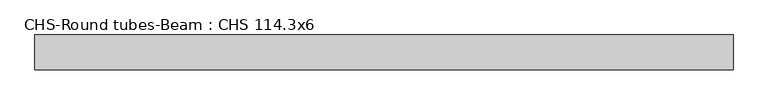
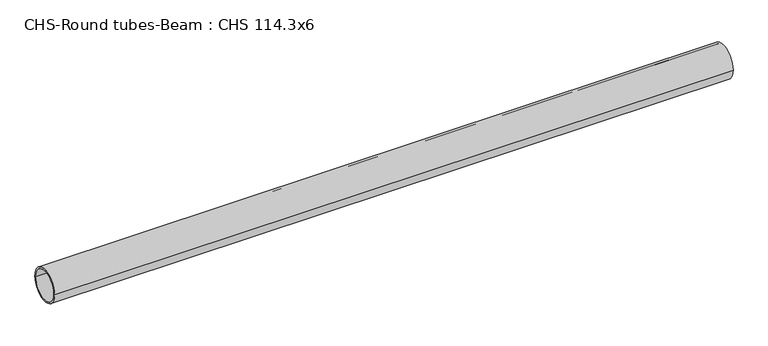
"""IFC4 building model written with IfcOpenShell, lengths in millimetres: beam geometry, CHS-Round tubes-Beam : CHS 114.3x6."""

import ifcopenshell
import ifcopenshell.guid

model = None  # the IFC model being written
_history = None  # IfcOwnerHistory: only IFC2X3 demands one
_inside = {}  # id of a spatial element -> (the spatial element, [elements in it])
_under = {}  # id of a project, library or spatial element -> (it, [spatial elements below it])
_declared = {}  # id of a project -> (the project, [libraries it declares])
_typed = {}  # id of a type object -> (the type object, [elements of that type])
_made_of = {}  # id of a material, layer set ... -> (it, [elements and type objects made of it])


def new_model(schema):
    """Start an empty IFC model of exactly this schema.

    Asked for "IFC4X3", IfcOpenShell would pick the latest addendum, in which some entities
    have other attributes; the version numbers below select the first issue.
    IFC2X3 requires an IfcOwnerHistory on every rooted entity: one is made here for all.
    """
    global model, _history
    if schema == "IFC4X3":
        model = ifcopenshell.file(schema_version=(4, 3, 0, 0))
    else:
        model = ifcopenshell.file(schema=schema)
    _inside.clear()
    _under.clear()
    _declared.clear()
    _typed.clear()
    _made_of.clear()
    _history = None
    if model.schema == "IFC2X3":
        org = make("IfcOrganization", Name="unknown")
        user = make(
            "IfcPersonAndOrganization",
            ThePerson=make("IfcPerson", FamilyName="unknown"),
            TheOrganization=org,
        )
        app = make(
            "IfcApplication",
            ApplicationDeveloper=org,
            Version="unknown",
            ApplicationFullName="unknown",
            ApplicationIdentifier="unknown",
        )
        _history = make(
            "IfcOwnerHistory",
            OwningUser=user,
            OwningApplication=app,
            ChangeAction="ADDED",
            CreationDate=0,
        )
    return model


def make(cls, **values):
    """One entity of the class cls with the attributes given. An attribute that is None is left unset."""
    return model.create_entity(
        cls, **{name: value for name, value in values.items() if value is not None}
    )


def rooted(cls, **values):
    """An entity with a GlobalId (a new one), such as an element, a storey or a relation."""
    return make(cls, GlobalId=ifcopenshell.guid.new(), OwnerHistory=_history, **values)


def si_unit(unit_type, name, prefix=None):
    """IfcSIUnit, for example si_unit("LENGTHUNIT", "METRE", prefix="MILLI")."""
    return make("IfcSIUnit", UnitType=unit_type, Prefix=prefix, Name=name)


def assignment(units):
    """IfcUnitAssignment: the units of a project."""
    return None if units is None else make("IfcUnitAssignment", Units=units)


def point(xyz):
    """IfcCartesianPoint."""
    return None if xyz is None else make("IfcCartesianPoint", Coordinates=xyz)


def direction(xyz):
    """IfcDirection."""
    return None if xyz is None else make("IfcDirection", DirectionRatios=xyz)


def frame(location, z_axis=None, x_axis=None):
    """IfcAxis2Placement3D, a coordinate frame: its origin and axes. An axis left out is left unset."""
    return make(
        "IfcAxis2Placement3D",
        Location=point(location),
        Axis=direction(z_axis),
        RefDirection=direction(x_axis),
    )


def frame_2d(location, x_axis=None):
    """IfcAxis2Placement2D, a coordinate frame in the plane: its origin and x axis."""
    return make(
        "IfcAxis2Placement2D", Location=point(location), RefDirection=direction(x_axis)
    )


def origin():
    """The frame at (0, 0, 0) with its axes left unset."""
    return frame((0.0, 0.0, 0.0))


def origin_2d():
    """The frame at (0, 0) in the plane with its x axis left unset."""
    return frame_2d((0.0, 0.0))


def place(relative_to, where):
    """IfcLocalPlacement: puts the frame where relative to a parent placement (None: the world)."""
    return make(
        "IfcLocalPlacement", PlacementRelTo=relative_to, RelativePlacement=where
    )


def context(
    kind, dimensions, precision=None, world=None, true_north=None, identifier=None
):
    """IfcGeometricRepresentationContext, for example the 3D "Model" context."""
    return make(
        "IfcGeometricRepresentationContext",
        ContextIdentifier=identifier,
        ContextType=kind,
        CoordinateSpaceDimension=dimensions,
        Precision=precision,
        WorldCoordinateSystem=world,
        TrueNorth=true_north,
    )


def project(units=None, contexts=None):
    """IfcProject with its units and contexts."""
    return rooted(
        "IfcProject",
        Name="project",
        RepresentationContexts=contexts,
        UnitsInContext=assignment(units),
    )


def spatial(cls, under=None, at=None, **own):
    """A site, building, storey or space (cls), placed at a placement, below another one or the project."""
    s = rooted(cls, ObjectPlacement=at, **own)
    if under is not None:
        _under.setdefault(under.id(), (under, []))[1].append(s)
    return s


def circle_curve(where, radius):
    """IfcCircle in the frame where."""
    return make("IfcCircle", Position=where, Radius=radius)


def trimmed(basis, trim1, trim2, sense, master):
    """IfcTrimmedCurve: the piece of a basis curve between two trims."""
    return make(
        "IfcTrimmedCurve",
        BasisCurve=basis,
        Trim1=trim1,
        Trim2=trim2,
        SenseAgreement=sense,
        MasterRepresentation=master,
    )


def segment(curve, same_sense, transition):
    """IfcCompositeCurveSegment."""
    return make(
        "IfcCompositeCurveSegment",
        Transition=transition,
        SameSense=same_sense,
        ParentCurve=curve,
    )


def composite_curve(segments, self_intersect=None):
    """IfcCompositeCurve: segments joined end to end."""
    return make("IfcCompositeCurve", Segments=segments, SelfIntersect=self_intersect)


def outline(outer, holes=None, kind="AREA"):
    """IfcArbitraryClosedProfileDef: a profile drawn as a closed curve; with holes, ...WithVoids."""
    if holes is None:
        return make("IfcArbitraryClosedProfileDef", ProfileType=kind, OuterCurve=outer)
    return make(
        "IfcArbitraryProfileDefWithVoids",
        ProfileType=kind,
        OuterCurve=outer,
        InnerCurves=holes,
    )


def extrude(swept, where, along, depth):
    """IfcExtrudedAreaSolid: the profile swept, set in the frame where, extruded along a direction by depth."""
    return make(
        "IfcExtrudedAreaSolid",
        SweptArea=swept,
        Position=where,
        ExtrudedDirection=direction(along),
        Depth=depth,
    )


def shape(context_of_items, identifier, shape_type, items):
    """IfcShapeRepresentation: the items that make up one representation, for example the "Body"."""
    return make(
        "IfcShapeRepresentation",
        ContextOfItems=context_of_items,
        RepresentationIdentifier=identifier,
        RepresentationType=shape_type,
        Items=items,
    )


def source(mapping_origin, context_of_items, identifier, shape_type, items):
    """IfcRepresentationMap: a shape defined once, which mapped items show again and again."""
    return make(
        "IfcRepresentationMap",
        MappingOrigin=mapping_origin,
        MappedRepresentation=shape(context_of_items, identifier, shape_type, items),
    )


def transform(
    local_origin,
    x_axis=None,
    y_axis=None,
    z_axis=None,
    scale=None,
    scale2=None,
    scale3=None,
    uniform=True,
):
    """IfcCartesianTransformationOperator3D, or its non-uniform kind. x_axis, y_axis, z_axis: its Axis1, 2, 3."""
    if uniform:
        return make(
            "IfcCartesianTransformationOperator3D",
            Axis1=direction(x_axis),
            Axis2=direction(y_axis),
            LocalOrigin=point(local_origin),
            Scale=scale,
            Axis3=direction(z_axis),
        )
    return make(
        "IfcCartesianTransformationOperator3DnonUniform",
        Axis1=direction(x_axis),
        Axis2=direction(y_axis),
        LocalOrigin=point(local_origin),
        Scale=scale,
        Axis3=direction(z_axis),
        Scale2=scale2,
        Scale3=scale3,
    )


def mapped(mapping_source, mapping_target):
    """IfcMappedItem: shows the shape of a source again, moved by a transform."""
    return make(
        "IfcMappedItem", MappingSource=mapping_source, MappingTarget=mapping_target
    )


def made_of(thing, what):
    """Note that an element or type object is made of a material, layer set ...; save() writes the relation."""
    if what is not None:
        _made_of.setdefault(what.id(), (what, []))[1].append(thing)
    return thing


def element(
    cls,
    number,
    at=None,
    inside=None,
    cuts=None,
    type_object=None,
    material=None,
    context=None,
    identifier="Body",
    shape_type=None,
    held_by="IfcProductDefinitionShape",
    body=None,
    shapes=None,
    **own,
):
    """One element of the class cls, such as IfcWall. Its Tag is "e" and its number.

    at: its placement. inside: the storey or other place that contains it. cuts: it is an
    opening in that element (IfcRelVoidsElement). A single representation is given by context,
    identifier, shape_type and body (its items); several are given by shapes. held_by: the class
    of the entity that holds the representations. save() writes the other relations.
    """
    e = rooted(cls, Tag="e%d" % number, ObjectPlacement=at, **own)
    if body is not None:
        shapes = [shape(context, identifier, shape_type, body)]
    if shapes is not None:
        e.Representation = make(held_by, Representations=shapes)
    if inside is not None:
        _inside.setdefault(inside.id(), (inside, []))[1].append(e)
    if cuts is not None:
        rooted(
            "IfcRelVoidsElement", RelatingBuildingElement=cuts, RelatedOpeningElement=e
        )
    if type_object is not None:
        _typed.setdefault(type_object.id(), (type_object, []))[1].append(e)
    return made_of(e, material)


def aggregate(whole, parts):
    """IfcRelAggregates: a whole, such as a stair, and the parts it consists of."""
    return rooted("IfcRelAggregates", RelatingObject=whole, RelatedObjects=parts)


def save(model, path):
    """Write the relations noted so far, then the file.

    IfcRelAggregates (storeys below a building ...), IfcRelContainedInSpatialStructure (elements
    in a storey), IfcRelDefinesByType, IfcRelAssociatesMaterial and IfcRelDeclares: one each for
    every whole, place, type object, material and project.
    """
    for whole, parts in _under.values():
        aggregate(whole, parts)
    for where, things in _inside.values():
        rooted(
            "IfcRelContainedInSpatialStructure",
            RelatedElements=things,
            RelatingStructure=where,
        )
    for kind, things in _typed.values():
        rooted("IfcRelDefinesByType", RelatedObjects=things, RelatingType=kind)
    for what, things in _made_of.values():
        rooted("IfcRelAssociatesMaterial", RelatedObjects=things, RelatingMaterial=what)
    for by, libraries in _declared.values():
        rooted("IfcRelDeclares", RelatingContext=by, RelatedDefinitions=libraries)
    model.write(path)


def chs_round_tubes_beam_chs_114_3x6_3efe16ce(model_context):
    return source(origin(), model_context, "Body", "SweptSolid", [
        extrude(outline(composite_curve([segment(trimmed(circle_curve(origin_2d(), 57.15), [point((57.15, 0.0))], [point((-57.15, 0.0))], False, "CARTESIAN"), True, "CONTINUOUS"), segment(trimmed(circle_curve(origin_2d(), 57.15), [point((-57.15, 0.0))], [point((57.15, 0.0))], False, "CARTESIAN"), True, "CONTINUOUS")], self_intersect=False), holes=[composite_curve([segment(trimmed(circle_curve(origin_2d(), 51.15), [point((51.15, 0.0))], [point((-51.15, 0.0))], True, "CARTESIAN"), True, "CONTINUOUS"), segment(trimmed(circle_curve(origin_2d(), 51.15), [point((-51.15, 0.0))], [point((51.15, 0.0))], True, "CARTESIAN"), True, "CONTINUOUS")], self_intersect=False)]), frame((-1024.0280728, 0.0, 0.0), z_axis=(1.0, 0.0, 0.0), x_axis=(0.0, 1.0, 0.0)), (0.0, 0.0, 1.0), 2297.3271382),
    ])


if __name__ == "__main__":
    model = new_model("IFC4")
    model_context = context("Model", 3, world=origin())
    ifc_project = project(units=[si_unit("LENGTHUNIT", "METRE", prefix="MILLI")], contexts=[model_context])
    site = spatial("IfcSite", under=ifc_project)
    building = spatial("IfcBuilding", under=site)
    placement = place(None, origin())
    chs_round_tubes_beam_chs_114_3x6_shape = chs_round_tubes_beam_chs_114_3x6_3efe16ce(model_context)
    element("IfcBeam", 1, ObjectType="CHS-Round tubes-Beam : CHS 114.3x6", at=placement, inside=building, context=model_context, shape_type="MappedRepresentation", body=[
        mapped(chs_round_tubes_beam_chs_114_3x6_shape, transform((0.0, 0.0, 0.0), x_axis=(1.0, 0.0, 0.0), y_axis=(0.0, 1.0, 0.0), z_axis=(0.0, 0.0, 1.0))),
    ])
    save(model, "model.ifc")
